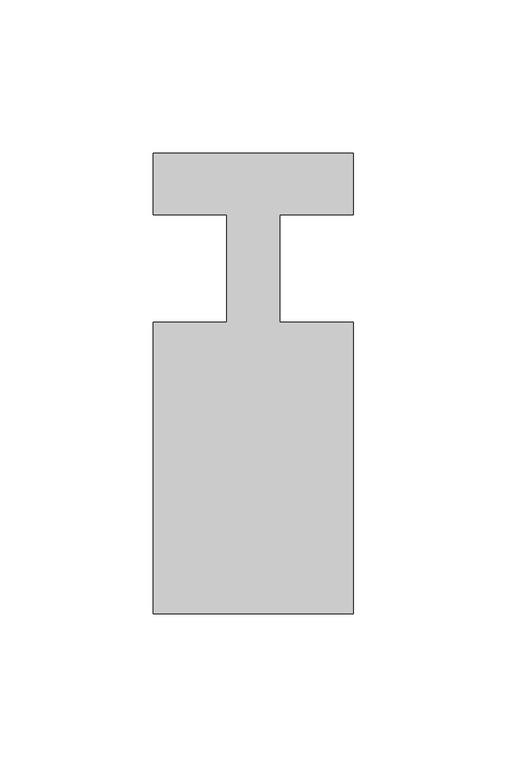
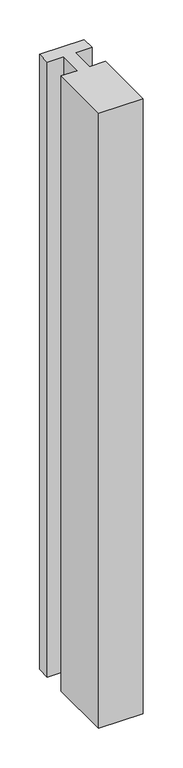
"""IFC4 building model written with IfcOpenShell, lengths in millimetres: member geometry."""

from ifc_helpers import new_model, si_unit, frame, origin, place, context, project, spatial, polyline, outline, extrude, source, transform, mapped, element, save


def member_5ee9e911(model_context):
    return source(origin(), model_context, "Body", "SweptSolid", [
        extrude(outline(polyline([(-65.0, 37.0), (0.0, 37.0), (0.0, 17.0), (-23.8125, 17.0), (-23.8125, -18.0), (0.0, -18.0), (0.0, -113.0), (-65.0, -113.0), (-65.0, -18.0), (-41.1875, -18.0), (-41.1875, 17.0), (-65.0, 17.0), (-65.0, 37.0)])), frame((0.0, 0.0, -949.1666667), z_axis=(0.0, 0.0, 1.0), x_axis=(1.0, 0.0, 0.0)), (0.0, 0.0, 1.0), 949.1666667),
    ])


if __name__ == "__main__":
    model = new_model("IFC4")
    model_context = context("Model", 3, world=origin())
    ifc_project = project(units=[si_unit("LENGTHUNIT", "METRE", prefix="MILLI")], contexts=[model_context])
    site = spatial("IfcSite", under=ifc_project)
    building = spatial("IfcBuilding", under=site)
    placement = place(None, origin())
    member_shape = member_5ee9e911(model_context)
    element("IfcMember", 1, at=placement, inside=building, context=model_context, shape_type="MappedRepresentation", body=[
        mapped(member_shape, transform((0.0, 0.0, 0.0), x_axis=(1.0, 0.0, 0.0), y_axis=(0.0, 1.0, 0.0), z_axis=(0.0, 0.0, 1.0))),
    ])
    save(model, "model.ifc")
